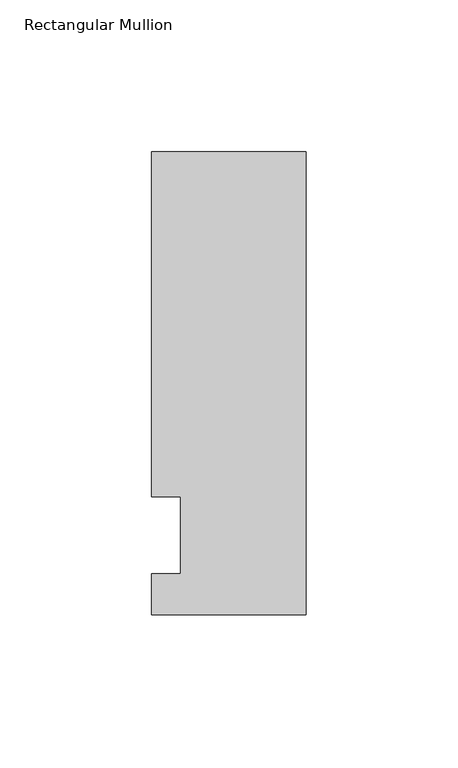
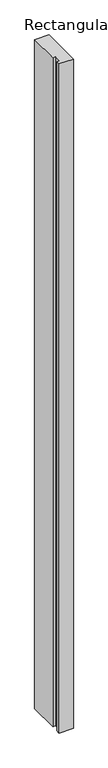
"""IFC4 building model written with IfcOpenShell, lengths in millimetres: member geometry, Rectangular Mullion."""

from ifc_helpers import new_model, si_unit, frame, origin, place, context, project, spatial, polyline, outline, extrude, source, transform, mapped, element, save


def rectangular_mullion_b8119d33(model_context):
    return source(origin(), model_context, "Body", "SweptSolid", [
        extrude(outline(polyline([(-50.8, -26.19375), (-50.8, -12.7), (-41.275, -12.7), (-41.275, 12.7), (-50.8, 12.7), (-50.8, 126.20625), (0.0, 126.20625), (0.0, -26.19375), (-50.8, -26.19375)])), frame((0.0, 0.0, -2540.0), z_axis=(0.0, 0.0, 1.0), x_axis=(1.0, 0.0, 0.0)), (0.0, 0.0, 1.0), 2540.0),
    ])


if __name__ == "__main__":
    model = new_model("IFC4")
    model_context = context("Model", 3, world=origin())
    ifc_project = project(units=[si_unit("LENGTHUNIT", "METRE", prefix="MILLI")], contexts=[model_context])
    site = spatial("IfcSite", under=ifc_project)
    building = spatial("IfcBuilding", under=site)
    placement = place(None, origin())
    rectangular_mullion_shape = rectangular_mullion_b8119d33(model_context)
    element("IfcMember", 1, ObjectType="Rectangular Mullion", at=placement, inside=building, context=model_context, shape_type="MappedRepresentation", body=[
        mapped(rectangular_mullion_shape, transform((0.0, 0.0, 0.0), x_axis=(1.0, 0.0, 0.0), y_axis=(0.0, 1.0, 0.0), z_axis=(0.0, 0.0, 1.0))),
    ])
    save(model, "model.ifc")
